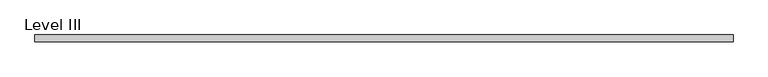
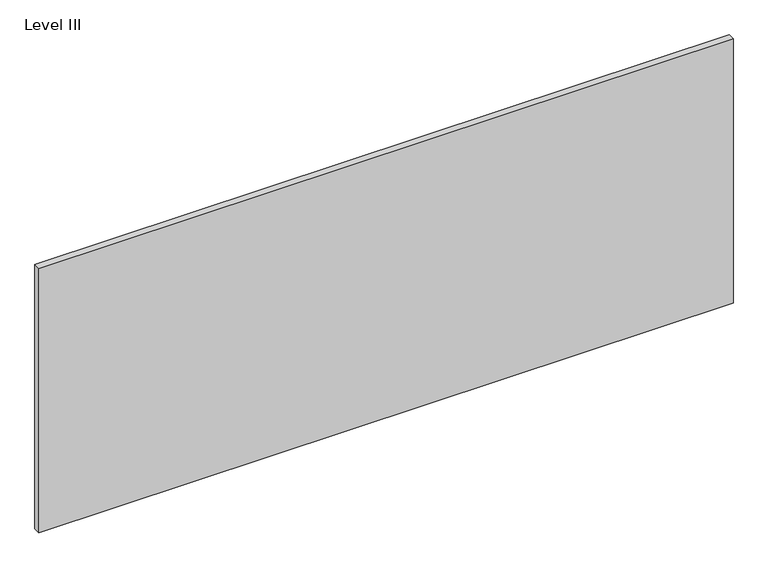
"""IFC4 building model written with IfcOpenShell, lengths in millimetres: proxy geometry, Level III."""

from ifc_helpers import new_model, si_unit, frame, origin, place, context, project, spatial, polyline, outline, extrude, source, transform, mapped, element, save


def level_iii_1ffc0a55(model_context):
    return source(origin(), model_context, "Body", "SweptSolid", [
        extrude(outline(polyline([(998.8407125, -9.525), (-998.8407125, -9.525), (-998.8407125, 9.525), (998.8407125, 9.525), (998.8407125, -9.525)])), frame((0.0, 0.0, 3.175), z_axis=(0.0, 0.0, 1.0), x_axis=(1.0, 0.0, 0.0)), (0.0, 0.0, 1.0), 804.418),
    ])


if __name__ == "__main__":
    model = new_model("IFC4")
    model_context = context("Model", 3, world=origin())
    ifc_project = project(units=[si_unit("LENGTHUNIT", "METRE", prefix="MILLI")], contexts=[model_context])
    site = spatial("IfcSite", under=ifc_project)
    building = spatial("IfcBuilding", under=site)
    placement = place(None, origin())
    level_iii_shape = level_iii_1ffc0a55(model_context)
    element("IfcBuildingElementProxy", 1, Name="Level III", ObjectType="Level III", at=placement, inside=building, context=model_context, shape_type="MappedRepresentation", body=[
        mapped(level_iii_shape, transform((0.0, 0.0, 0.0), x_axis=(1.0, 0.0, 0.0), y_axis=(0.0, 1.0, 0.0), z_axis=(0.0, 0.0, 1.0))),
    ])
    save(model, "model.ifc")
